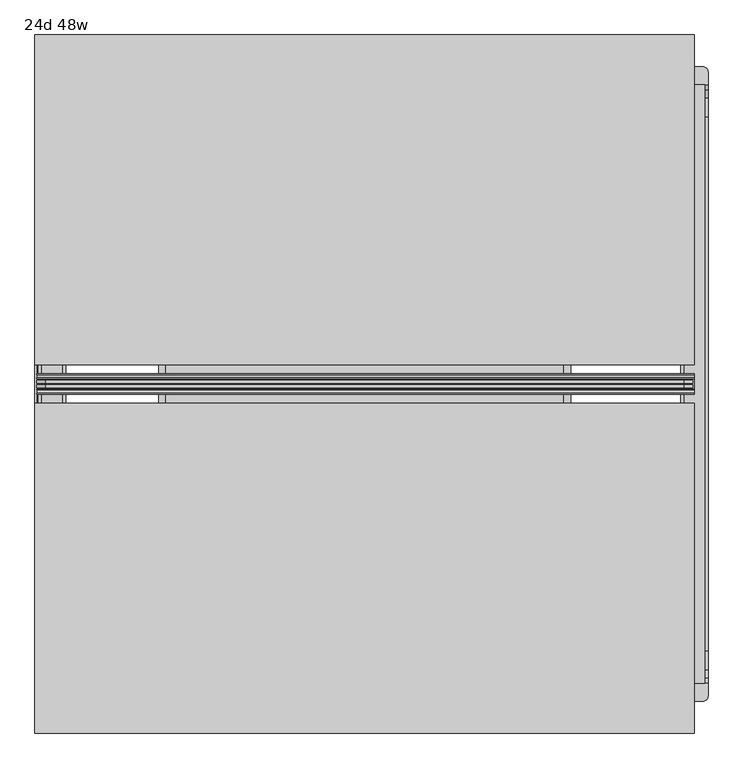
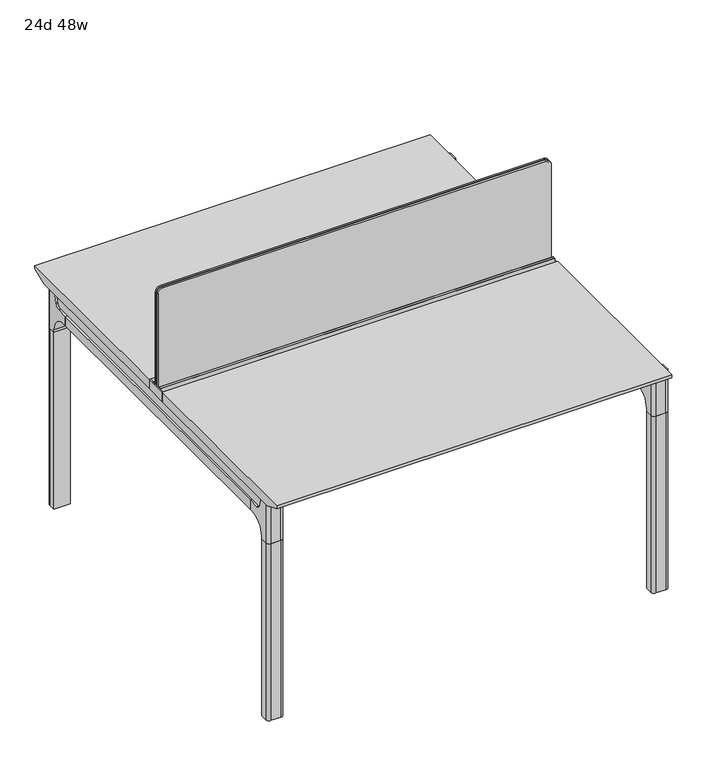
"""IFC4 building model written with IfcOpenShell, lengths in millimetres: furniture geometry, 24d 48w."""

from ifc_helpers import new_model, si_unit, point, frame, frame_2d, origin, place, context, project, spatial, polyline, circle_curve, trimmed, segment, composite_curve, outline, extrude, source, transform, mapped, element, save
from ifc_brep_helpers import plane_surface, cylinder_surface, revolved_surface, advanced_brep


def furniture_24d_48w_a5b764e3(model_context):
    return source(origin(), model_context, "Body", "SolidModel", [
        extrude(outline(composite_curve([segment(polyline([(1054.89375, 803.275), (1054.89375, -371.475)]), True, "CONTINUOUS"), segment(trimmed(circle_curve(frame_2d((1039.01875, -371.475)), 15.875), [point((1054.89375, -371.475))], [point((1039.01875, -387.35))], False, "CARTESIAN"), True, "CONTINUOUS"), segment(polyline([(1039.01875, -387.35), (720.725, -387.35), (720.725, 819.15), (1039.01875, 819.15)]), True, "CONTINUOUS"), segment(trimmed(circle_curve(frame_2d((1039.01875, 803.275)), 15.875), [point((1039.01875, 819.15))], [point((1054.89375, 803.275))], False, "CARTESIAN"), True, "CONTINUOUS")], self_intersect=False)), frame((0.0, -201.3409766, 0.0), z_axis=(0.0, 1.0, 0.0), x_axis=(0.0, 0.0, 1.0)), (0.0, 0.0, 1.0), 3.175),
        extrude(outline(composite_curve([segment(polyline([(1058.06875, 806.45), (1058.06875, -374.65)]), True, "CONTINUOUS"), segment(trimmed(circle_curve(frame_2d((1042.19375, -374.65)), 15.875), [point((1058.06875, -374.65))], [point((1042.19375, -390.525))], False, "CARTESIAN"), True, "CONTINUOUS"), segment(polyline([(1042.19375, -390.525), (717.55, -390.525), (717.55, 822.325), (1042.19375, 822.325)]), True, "CONTINUOUS"), segment(trimmed(circle_curve(frame_2d((1042.19375, 806.45)), 15.875), [point((1042.19375, 822.325))], [point((1058.06875, 806.45))], False, "CARTESIAN"), True, "CONTINUOUS")], self_intersect=False)), frame((0.0, -198.1659766, 0.0), z_axis=(0.0, 1.0, 0.0), x_axis=(0.0, 0.0, 1.0)), (0.0, 0.0, 1.0), 5.55625),
        extrude(outline(composite_curve([segment(polyline([(1058.06875, 806.45), (1058.06875, -374.65)]), True, "CONTINUOUS"), segment(trimmed(circle_curve(frame_2d((1042.19375, -374.65)), 15.875), [point((1058.06875, -374.65))], [point((1042.19375, -390.525))], False, "CARTESIAN"), True, "CONTINUOUS"), segment(polyline([(1042.19375, -390.525), (717.55, -390.525), (717.55, 822.325), (1042.19375, 822.325)]), True, "CONTINUOUS"), segment(trimmed(circle_curve(frame_2d((1042.19375, 806.45)), 15.875), [point((1042.19375, 822.325))], [point((1058.06875, 806.45))], False, "CARTESIAN"), True, "CONTINUOUS")], self_intersect=False)), frame((0.0, -206.8972266, 0.0), z_axis=(0.0, 1.0, 0.0), x_axis=(0.0, 0.0, 1.0)), (0.0, 0.0, 1.0), 5.55625),
        extrude(outline(polyline([(-348.9784469, 559.4636683), (-364.040663, 627.7843353), (-35.4662901, 627.7843353), (-50.5285062, 559.4636683), (-46.7502281, 557.2647146), (-46.7502281, 549.3667827), (-62.6252238, 521.8704736), (-336.8817293, 521.8704736), (-352.756725, 549.3667827), (-352.756725, 557.2647146), (-348.9784469, 559.4636683)])), frame((584.2, 0.0, 0.0), z_axis=(1.0, 0.0, 0.0), x_axis=(0.0, 1.0, 0.0)), (0.0, 0.0, 1.0), 12.7),
        extrude(outline(polyline([(-348.9784469, 559.4636683), (-364.040663, 627.7843353), (-35.4662901, 627.7843353), (-50.5285062, 559.4636683), (-46.7502281, 557.2647146), (-46.7502281, 549.3667827), (-62.6252238, 521.8704736), (-336.8817293, 521.8704736), (-352.756725, 549.3667827), (-352.756725, 557.2647146), (-348.9784469, 559.4636683)])), frame((-165.1, 0.0, 0.0), z_axis=(1.0, 0.0, 0.0), x_axis=(0.0, 1.0, 0.0)), (0.0, 0.0, 1.0), 12.7),
        extrude(outline(polyline([(-18.0090763, 698.5), (3.7767266, 698.5), (3.7767266, 697.2935087), (-17.4495292, 697.2935087), (-19.0070753, 695.7359626), (-49.1186716, 559.1528512), (-50.5285062, 559.4636683), (-20.404074, 696.1050023), (-18.0090763, 698.5)])), frame((-165.1, 0.0, 0.0), z_axis=(1.0, 0.0, 0.0), x_axis=(0.0, 1.0, 0.0)), (0.0, 0.0, 1.0), 31.8008024),
        extrude(outline(polyline([(-381.4978768, 698.5), (-379.1028791, 696.1050023), (-348.9784469, 559.4636683), (-350.3882815, 559.1528512), (-380.4998778, 695.7359626), (-382.0574239, 697.2935087), (-403.2836797, 697.2935087), (-403.2836797, 698.5), (-381.4978768, 698.5)])), frame((-165.1, 0.0, 0.0), z_axis=(1.0, 0.0, 0.0), x_axis=(0.0, 1.0, 0.0)), (0.0, 0.0, 1.0), 31.8008024),
        extrude(outline(polyline([(-18.0090763, 698.5), (3.7767266, 698.5), (3.7767266, 697.2935087), (-17.4495292, 697.2935087), (-19.0070753, 695.7359626), (-49.1186716, 559.1528512), (-50.5285062, 559.4636683), (-20.404074, 696.1050023), (-18.0090763, 698.5)])), frame((565.0991976, 0.0, 0.0), z_axis=(1.0, 0.0, 0.0), x_axis=(0.0, 1.0, 0.0)), (0.0, 0.0, 1.0), 31.8008024),
        extrude(outline(polyline([(-381.4978768, 698.5), (-379.1028791, 696.1050023), (-348.9784469, 559.4636683), (-350.3882815, 559.1528512), (-380.4998778, 695.7359626), (-382.0574239, 697.2935087), (-403.2836797, 697.2935087), (-403.2836797, 698.5), (-381.4978768, 698.5)])), frame((565.0991976, 0.0, 0.0), z_axis=(1.0, 0.0, 0.0), x_axis=(0.0, 1.0, 0.0)), (0.0, 0.0, 1.0), 31.8008024),
        extrude(outline(polyline([(-353.550475, 557.5934966), (-351.518477, 559.6254947), (-350.957211, 559.0642287), (-352.756725, 557.2647146), (-352.756725, 549.3667827), (-352.5317745, 548.5272622), (-337.4390802, 522.3859395), (-336.0037101, 521.5572272), (-63.503243, 521.5572272), (-62.0678729, 522.3859395), (-46.9751786, 548.5272622), (-46.7502281, 549.3667827), (-46.7502281, 557.2647146), (-48.5497421, 559.0642287), (-47.9884761, 559.6254947), (-45.9564781, 557.5934966), (-45.9564781, 549.2622828), (-46.2355217, 548.2208856), (-61.4868074, 521.8048744), (-63.2905581, 520.7634772), (-336.216395, 520.7634772), (-338.0201457, 521.8048744), (-353.2714314, 548.2208856), (-353.550475, 549.2622828), (-353.550475, 557.5934966)])), frame((-165.0492037, 0.0, 0.0), z_axis=(1.0, 0.0, 0.0), x_axis=(0.0, 1.0, 0.0)), (0.0, 0.0, 1.0), 761.9492037),
        extrude(outline(polyline([(-218.8034766, 715.9625), (-218.8034766, 741.3625), (-217.2159766, 741.3625), (-217.2159766, 720.725), (-210.8659766, 720.725), (-210.8659766, 741.3625), (-209.2784766, 741.3625), (-209.2784766, 717.55), (-190.2284766, 717.55), (-190.2284766, 741.3625), (-188.6409766, 741.3625), (-188.6409766, 720.725), (-182.2909766, 720.725), (-182.2909766, 741.3625), (-180.7034766, 741.3625), (-180.7034766, 715.9625), (-218.8034766, 715.9625)])), frame((-390.525, 0.0, 0.0), z_axis=(1.0, 0.0, 0.0), x_axis=(0.0, 1.0, 0.0)), (0.0, 0.0, 1.0), 1216.025),
        extrude(outline(composite_curve([segment(polyline([(353.4902734, 711.2), (344.4321726, 677.3947076)]), True, "CONTINUOUS"), segment(trimmed(circle_curve(frame_2d((329.0981001, 681.5034599)), 15.875), [point((344.4321726, 677.3947076))], [point((329.0981001, 665.6284599))], False, "CARTESIAN"), True, "CONTINUOUS"), segment(polyline([(329.0981001, 665.6284599), (-728.6050533, 665.6284599)]), True, "CONTINUOUS"), segment(trimmed(circle_curve(frame_2d((-728.6050533, 681.5034599)), 15.875), [point((-728.6050533, 665.6284599))], [point((-743.9391258, 677.3947076))], False, "CARTESIAN"), True, "CONTINUOUS"), segment(polyline([(-743.9391258, 677.3947076), (-752.9972266, 711.2), (353.4902734, 711.2)]), True, "CONTINUOUS")], self_intersect=False)), frame((806.45, 0.0, 0.0), z_axis=(1.0, 0.0, 0.0), x_axis=(0.0, 1.0, 0.0)), (0.0, 0.0, 1.0), 38.1),
        extrude(outline(polyline([(850.9, 293.1652734), (850.9, -692.6722266), (800.1, -692.6722266), (800.1, 293.1652734), (850.9, 293.1652734)])), frame((0.0, 0.0, 635.6476591), z_axis=(0.0, 0.0, 1.0), x_axis=(1.0, 0.0, 0.0)), (0.0, 0.0, 1.0), 29.9808008),
        extrude(outline(composite_curve([segment(polyline([(353.4902734, 711.2), (344.4321726, 677.3947076)]), True, "CONTINUOUS"), segment(trimmed(circle_curve(frame_2d((329.0981001, 681.5034599)), 15.875), [point((344.4321726, 677.3947076))], [point((329.0981001, 665.6284599))], False, "CARTESIAN"), True, "CONTINUOUS"), segment(polyline([(329.0981001, 665.6284599), (-728.6050533, 665.6284599)]), True, "CONTINUOUS"), segment(trimmed(circle_curve(frame_2d((-728.6050533, 681.5034599)), 15.875), [point((-728.6050533, 665.6284599))], [point((-743.9391258, 677.3947076))], False, "CARTESIAN"), True, "CONTINUOUS"), segment(polyline([(-743.9391258, 677.3947076), (-752.9972266, 711.2), (353.4902734, 711.2)]), True, "CONTINUOUS")], self_intersect=False)), frame((-381.0, 0.0, 0.0), z_axis=(1.0, 0.0, 0.0), x_axis=(0.0, 1.0, 0.0)), (0.0, 0.0, 1.0), 38.1),
        extrude(outline(polyline([(-336.55, 293.1652734), (-336.55, -692.6722266), (-387.35, -692.6722266), (-387.35, 293.1652734), (-336.55, 293.1652734)])), frame((0.0, 0.0, 635.6476591), z_axis=(0.0, 0.0, 1.0), x_axis=(1.0, 0.0, 0.0)), (0.0, 0.0, 1.0), 29.9808008),
        advanced_brep(
        [(850.9, 353.5366022, 711.2), (850.9, 344.4785014, 677.3947076), (850.9, 329.1444289, 665.6284599), (850.9, 293.1652734, 665.6284599), (850.9, 293.1652734, 635.6476591), (850.9, 304.2777734, 635.6476591), (850.9, 355.0777734, 584.8476591), (850.9, 355.0777734, 576.659375), (850.9, 377.3027734, 576.659375), (850.9, 377.3027734, 711.2), (800.1, 355.0777734, 576.659375), (800.1, 355.0777734, 584.8476591), (800.1, 304.2777734, 635.6476591), (800.1, 293.1652734, 635.6476591), (800.1, 293.1652734, 665.6284599), (800.1, 329.1444289, 665.6284599), (800.1, 344.4785014, 677.3947076), (800.1, 353.5366022, 711.2), (800.1, 377.3027734, 711.2), (800.1, 377.3027734, 576.659375), (841.375, 386.8277734, 711.2), (809.625, 386.8277734, 711.2), (809.625, 386.8277734, 576.659375), (841.375, 386.8277734, 576.659375)],
        [
            (0, 1),
            (1, 2, circle_curve(frame((850.9, 329.1444289, 681.5034599), z_axis=(-1.0, 0.0, 0.0), x_axis=(0.0, 1.0, 0.0)), 15.875)),
            (2, 3),
            (3, 4),
            (4, 5),
            (5, 6, circle_curve(frame((850.9, 304.2777734, 584.8476591), z_axis=(-1.0, 0.0, 0.0), x_axis=(0.0, 1.0, 0.0)), 50.8)),
            (6, 7),
            (7, 8),
            (8, 9),
            (9, 0),
            (10, 11),
            (11, 12, circle_curve(frame((800.1, 304.2777734, 584.8476591), z_axis=(1.0, 0.0, 0.0), x_axis=(0.0, 1.0, 0.0)), 50.8)),
            (12, 13),
            (13, 14),
            (14, 15),
            (15, 16, circle_curve(frame((800.1, 329.1444289, 681.5034599), z_axis=(1.0, 0.0, 0.0), x_axis=(0.0, 1.0, 0.0)), 15.875)),
            (16, 17),
            (17, 18),
            (18, 19),
            (19, 10),
            (17, 0),
            (9, 20, circle_curve(frame((841.375, 377.3027734, 711.2), z_axis=(0.0, 0.0, 1.0), x_axis=(-1.0, 0.0, 0.0)), 9.525)),
            (20, 21),
            (21, 18, circle_curve(frame((809.625, 377.3027734, 711.2), z_axis=(0.0, 0.0, 1.0), x_axis=(-1.0, 0.0, 0.0)), 9.525)),
            (16, 1),
            (15, 2),
            (14, 3),
            (13, 4),
            (12, 5),
            (7, 10),
            (19, 22, circle_curve(frame((809.625, 377.3027734, 576.659375), z_axis=(0.0, 0.0, -1.0), x_axis=(-1.0, 0.0, 0.0)), 9.525)),
            (22, 23),
            (23, 8, circle_curve(frame((841.375, 377.3027734, 576.659375), z_axis=(0.0, 0.0, -1.0), x_axis=(-1.0, 0.0, 0.0)), 9.525)),
            (11, 6),
            (23, 20),
            (21, 22),
        ],
        [
            plane_surface(frame((850.9, 393.754303, 711.2), z_axis=(1.0, 0.0, 0.0), x_axis=(0.0, -1.0, 0.0))),
            plane_surface(frame((800.1, 393.754303, 711.2), z_axis=(-1.0, 0.0, 0.0), x_axis=(0.0, 1.0, 0.0))),
            plane_surface(frame((850.9, 393.754303, 711.2), z_axis=(0.0, 0.0, 1.0), x_axis=(-1.0, 0.0, 0.0))),
            plane_surface(frame((850.9, 353.5366022, 711.2), z_axis=(0.0, -0.9659258262890683, 0.2588190451025207), x_axis=(-1.0, 0.0, 0.0))),
            revolved_surface(polyline([(800.1, 345.0194289, 681.5034599), (850.9, 345.0194289, 681.5034599)]), (800.1, 329.1444289, 681.5034599), (-1.0, 0.0, 0.0)),
            plane_surface(frame((850.9, 329.1444289, 665.6284599), z_axis=(0.0, 0.0, 1.0), x_axis=(-1.0, 0.0, 0.0))),
            plane_surface(frame((850.9, 293.1652734, 665.6284599), z_axis=(0.0, -1.0, 0.0), x_axis=(-1.0, 0.0, 0.0))),
            plane_surface(frame((850.9, 293.1652734, 635.6476591), z_axis=(0.0, 0.0, -1.0), x_axis=(-1.0, 0.0, 0.0))),
            plane_surface(frame((850.9, 355.0777734, 576.659375), z_axis=(0.0, 0.0, -1.0), x_axis=(-1.0, 0.0, 0.0))),
            revolved_surface(polyline([(800.1, 355.0777734, 584.8476591), (850.9, 355.0777734, 584.8476591)]), (800.1, 304.2777734, 584.8476591), (-1.0, 0.0, 0.0)),
            plane_surface(frame((850.9, 355.0777734, 584.8476591), z_axis=(0.0, -1.0, 0.0), x_axis=(-1.0, 0.0, 0.0))),
            cylinder_surface(frame((841.375, 377.3027734, 524.9807374), z_axis=(0.0, 0.0, -1.0), x_axis=(-1.0, 0.0, 0.0)), 9.525),
            cylinder_surface(frame((809.625, 377.3027734, 524.9807374), z_axis=(0.0, 0.0, -1.0), x_axis=(-1.0, 0.0, 0.0)), 9.525),
            plane_surface(frame((809.625, 386.8277734, 711.2), z_axis=(0.0, 1.0, 0.0), x_axis=(0.0, 0.0, -1.0))),
        ],
        [
            (0, [[1, 2, 3, 4, 5, 6, 7, 8, 9, 10]]),
            (1, [[11, 12, 13, 14, 15, 16, 17, 18, 19, 20]]),
            (2, [[21, -10, 22, 23, 24, -18]]),
            (3, [[-1, -21, -17, 25]]),
            (4, [[-2, -25, -16, 26]]),
            (5, [[-3, -26, -15, 27]]),
            (6, [[-4, -27, -14, 28]]),
            (7, [[-5, -28, -13, 29]]),
            (8, [[30, -20, 31, 32, 33, -8]]),
            (9, [[-6, -29, -12, 34]]),
            (10, [[-7, -34, -11, -30]]),
            (11, [[35, -22, -9, -33]]),
            (12, [[36, -31, -19, -24]]),
            (13, [[-35, -32, -36, -23]]),
        ],
    ),
        advanced_brep(
        [(800.1, 355.0777734, 576.659375), (850.9, 355.0777734, 576.659375), (850.9, 377.3027734, 576.659375), (841.375, 386.8277734, 576.659375), (809.625, 386.8277734, 576.659375), (800.1, 377.3027734, 576.659375), (800.1, 355.0777734, 0.0), (800.1, 377.3027734, 0.0), (809.625, 386.8277734, 0.0), (841.375, 386.8277734, 0.0), (850.9, 377.3027734, 0.0), (850.9, 355.0777734, 0.0), (850.9, 377.3027734, 524.9807374), (841.375, 386.8277734, 524.9807374), (809.625, 386.8277734, 524.9807374), (800.1, 377.3027734, 524.9807374)],
        [
            (0, 1),
            (1, 2),
            (2, 3, circle_curve(frame((841.375, 377.3027734, 576.659375), z_axis=(0.0, 0.0, 1.0), x_axis=(-1.0, 0.0, 0.0)), 9.525)),
            (3, 4),
            (4, 5, circle_curve(frame((809.625, 377.3027734, 576.659375), z_axis=(0.0, 0.0, 1.0), x_axis=(-1.0, 0.0, 0.0)), 9.525)),
            (5, 0),
            (6, 7),
            (7, 8, circle_curve(frame((809.625, 377.3027734, 0.0), z_axis=(0.0, 0.0, -1.0), x_axis=(-1.0, 0.0, 0.0)), 9.525)),
            (8, 9),
            (9, 10, circle_curve(frame((841.375, 377.3027734, 0.0), z_axis=(0.0, 0.0, -1.0), x_axis=(-1.0, 0.0, 0.0)), 9.525)),
            (10, 11),
            (11, 6),
            (0, 6),
            (11, 1),
            (10, 12),
            (12, 2),
            (9, 13),
            (13, 3),
            (8, 14),
            (14, 4),
            (7, 15),
            (15, 5),
        ],
        [
            plane_surface(frame((858.0962903, 355.0777734, 576.659375), z_axis=(0.0, 0.0, 1.0), x_axis=(1.0, 0.0, 0.0))),
            plane_surface(frame((858.0962903, 355.0777734, 0.0), z_axis=(0.0, 0.0, -1.0), x_axis=(-1.0, 0.0, 0.0))),
            plane_surface(frame((800.1, 355.0777734, 576.659375), z_axis=(0.0, -1.0, 0.0), x_axis=(0.0, 0.0, -1.0))),
            plane_surface(frame((850.9, 355.0777734, 576.659375), z_axis=(1.0, 0.0, 0.0), x_axis=(0.0, 0.0, -1.0))),
            cylinder_surface(frame((841.375, 377.3027734, 0.0), z_axis=(0.0, 0.0, 1.0), x_axis=(-1.0, 0.0, 0.0)), 9.525),
            plane_surface(frame((841.375, 386.8277734, 576.659375), z_axis=(0.0, 1.0, 0.0), x_axis=(0.0, 0.0, -1.0))),
            cylinder_surface(frame((809.625, 377.3027734, 0.0), z_axis=(0.0, 0.0, 1.0), x_axis=(-1.0, 0.0, 0.0)), 9.525),
            plane_surface(frame((800.1, 377.3027734, 576.659375), z_axis=(-1.0, 0.0, 0.0), x_axis=(0.0, 0.0, -1.0))),
        ],
        [
            (0, [[1, 2, 3, 4, 5, 6]]),
            (1, [[7, 8, 9, 10, 11, 12]]),
            (2, [[-1, 13, -12, 14]]),
            (3, [[-2, -14, -11, 15, 16]]),
            (4, [[-3, -16, -15, -10, 17, 18]]),
            (5, [[-4, -18, -17, -9, 19, 20]]),
            (6, [[-5, -20, -19, -8, 21, 22]]),
            (7, [[-6, -22, -21, -7, -13]]),
        ],
    ),
        advanced_brep(
        [(800.1, -753.0435553, 711.2), (800.1, -743.9854545, 677.3947076), (800.1, -728.651382, 665.6284599), (800.1, -692.6722266, 665.6284599), (800.1, -692.6722266, 635.6476591), (800.1, -703.7847266, 635.6476591), (800.1, -754.5847266, 584.8476591), (800.1, -754.5847266, 576.659375), (800.1, -776.8097266, 576.659375), (800.1, -776.8097266, 711.2), (850.9, -754.5847266, 576.659375), (850.9, -754.5847266, 584.8476591), (850.9, -703.7847266, 635.6476591), (850.9, -692.6722266, 635.6476591), (850.9, -692.6722266, 665.6284599), (850.9, -728.651382, 665.6284599), (850.9, -743.9854545, 677.3947076), (850.9, -753.0435553, 711.2), (850.9, -776.8097266, 711.2), (850.9, -776.8097266, 576.659375), (809.625, -786.3347266, 711.2), (841.375, -786.3347266, 711.2), (841.375, -786.3347266, 576.659375), (809.625, -786.3347266, 576.659375)],
        [
            (0, 1),
            (1, 2, circle_curve(frame((800.1, -728.651382, 681.5034599), z_axis=(1.0, 0.0, 0.0), x_axis=(0.0, -1.0, 0.0)), 15.875)),
            (2, 3),
            (3, 4),
            (4, 5),
            (5, 6, circle_curve(frame((800.1, -703.7847266, 584.8476591), z_axis=(1.0, 0.0, 0.0), x_axis=(0.0, -1.0, 0.0)), 50.8)),
            (6, 7),
            (7, 8),
            (8, 9),
            (9, 0),
            (10, 11),
            (11, 12, circle_curve(frame((850.9, -703.7847266, 584.8476591), z_axis=(-1.0, 0.0, 0.0), x_axis=(0.0, -1.0, 0.0)), 50.8)),
            (12, 13),
            (13, 14),
            (14, 15),
            (15, 16, circle_curve(frame((850.9, -728.651382, 681.5034599), z_axis=(-1.0, 0.0, 0.0), x_axis=(0.0, -1.0, 0.0)), 15.875)),
            (16, 17),
            (17, 18),
            (18, 19),
            (19, 10),
            (17, 0),
            (9, 20, circle_curve(frame((809.625, -776.8097266, 711.2), z_axis=(0.0, 0.0, 1.0), x_axis=(1.0, 0.0, 0.0)), 9.525)),
            (20, 21),
            (21, 18, circle_curve(frame((841.375, -776.8097266, 711.2), z_axis=(0.0, 0.0, 1.0), x_axis=(1.0, 0.0, 0.0)), 9.525)),
            (16, 1),
            (15, 2),
            (14, 3),
            (13, 4),
            (12, 5),
            (7, 10),
            (19, 22, circle_curve(frame((841.375, -776.8097266, 576.659375), z_axis=(0.0, 0.0, -1.0), x_axis=(1.0, 0.0, 0.0)), 9.525)),
            (22, 23),
            (23, 8, circle_curve(frame((809.625, -776.8097266, 576.659375), z_axis=(0.0, 0.0, -1.0), x_axis=(1.0, 0.0, 0.0)), 9.525)),
            (11, 6),
            (23, 20),
            (21, 22),
        ],
        [
            plane_surface(frame((800.1, -793.2612561, 711.2), z_axis=(-1.0, 0.0, 0.0), x_axis=(0.0, 1.0, 0.0))),
            plane_surface(frame((850.9, -793.2612561, 711.2), z_axis=(1.0, 0.0, 0.0), x_axis=(0.0, -1.0, 0.0))),
            plane_surface(frame((800.1, -793.2612561, 711.2), z_axis=(0.0, 0.0, 1.0), x_axis=(1.0, 0.0, 0.0))),
            plane_surface(frame((800.1, -753.0435553, 711.2), z_axis=(0.0, 0.9659258262890683, 0.2588190451025207), x_axis=(1.0, 0.0, 0.0))),
            revolved_surface(polyline([(850.9, -744.526382, 681.5034599), (800.1, -744.526382, 681.5034599)]), (850.9, -728.651382, 681.5034599), (1.0, 0.0, 0.0)),
            plane_surface(frame((800.1, -728.651382, 665.6284599), z_axis=(0.0, 0.0, 1.0), x_axis=(1.0, 0.0, 0.0))),
            plane_surface(frame((800.1, -692.6722266, 665.6284599), z_axis=(0.0, 1.0, 0.0), x_axis=(1.0, 0.0, 0.0))),
            plane_surface(frame((800.1, -692.6722266, 635.6476591), z_axis=(0.0, 0.0, -1.0), x_axis=(1.0, 0.0, 0.0))),
            plane_surface(frame((800.1, -754.5847266, 576.659375), z_axis=(0.0, 0.0, -1.0), x_axis=(1.0, 0.0, 0.0))),
            revolved_surface(polyline([(850.9, -754.5847266, 584.8476591), (800.1, -754.5847266, 584.8476591)]), (850.9, -703.7847266, 584.8476591), (1.0, 0.0, 0.0)),
            plane_surface(frame((800.1, -754.5847266, 584.8476591), z_axis=(0.0, 1.0, 0.0), x_axis=(1.0, 0.0, 0.0))),
            cylinder_surface(frame((809.625, -776.8097266, 524.9807374), z_axis=(0.0, 0.0, -1.0), x_axis=(1.0, 0.0, 0.0)), 9.525),
            cylinder_surface(frame((841.375, -776.8097266, 524.9807374), z_axis=(0.0, 0.0, -1.0), x_axis=(1.0, 0.0, 0.0)), 9.525),
            plane_surface(frame((841.375, -786.3347266, 711.2), z_axis=(0.0, -1.0, 0.0), x_axis=(0.0, 0.0, -1.0))),
        ],
        [
            (0, [[1, 2, 3, 4, 5, 6, 7, 8, 9, 10]]),
            (1, [[11, 12, 13, 14, 15, 16, 17, 18, 19, 20]]),
            (2, [[21, -10, 22, 23, 24, -18]]),
            (3, [[-1, -21, -17, 25]]),
            (4, [[-2, -25, -16, 26]]),
            (5, [[-3, -26, -15, 27]]),
            (6, [[-4, -27, -14, 28]]),
            (7, [[-5, -28, -13, 29]]),
            (8, [[30, -20, 31, 32, 33, -8]]),
            (9, [[-6, -29, -12, 34]]),
            (10, [[-7, -34, -11, -30]]),
            (11, [[35, -22, -9, -33]]),
            (12, [[36, -31, -19, -24]]),
            (13, [[-35, -32, -36, -23]]),
        ],
    ),
        advanced_brep(
        [(850.9, -754.5847266, 576.659375), (800.1, -754.5847266, 576.659375), (800.1, -776.8097266, 576.659375), (809.625, -786.3347266, 576.659375), (841.375, -786.3347266, 576.659375), (850.9, -776.8097266, 576.659375), (850.9, -754.5847266, 0.0), (850.9, -776.8097266, 0.0), (841.375, -786.3347266, 0.0), (809.625, -786.3347266, 0.0), (800.1, -776.8097266, 0.0), (800.1, -754.5847266, 0.0), (800.1, -776.8097266, 524.9807374), (809.625, -786.3347266, 524.9807374), (841.375, -786.3347266, 524.9807374), (850.9, -776.8097266, 524.9807374)],
        [
            (0, 1),
            (1, 2),
            (2, 3, circle_curve(frame((809.625, -776.8097266, 576.659375), z_axis=(0.0, 0.0, 1.0), x_axis=(1.0, 0.0, 0.0)), 9.525)),
            (3, 4),
            (4, 5, circle_curve(frame((841.375, -776.8097266, 576.659375), z_axis=(0.0, 0.0, 1.0), x_axis=(1.0, 0.0, 0.0)), 9.525)),
            (5, 0),
            (6, 7),
            (7, 8, circle_curve(frame((841.375, -776.8097266, 0.0), z_axis=(0.0, 0.0, -1.0), x_axis=(1.0, 0.0, 0.0)), 9.525)),
            (8, 9),
            (9, 10, circle_curve(frame((809.625, -776.8097266, 0.0), z_axis=(0.0, 0.0, -1.0), x_axis=(1.0, 0.0, 0.0)), 9.525)),
            (10, 11),
            (11, 6),
            (0, 6),
            (11, 1),
            (10, 12),
            (12, 2),
            (9, 13),
            (13, 3),
            (8, 14),
            (14, 4),
            (7, 15),
            (15, 5),
        ],
        [
            plane_surface(frame((792.9037097, -754.5847266, 576.659375), z_axis=(0.0, 0.0, 1.0), x_axis=(-1.0, 0.0, 0.0))),
            plane_surface(frame((792.9037097, -754.5847266, 0.0), z_axis=(0.0, 0.0, -1.0), x_axis=(1.0, 0.0, 0.0))),
            plane_surface(frame((850.9, -754.5847266, 576.659375), z_axis=(0.0, 1.0, 0.0), x_axis=(0.0, 0.0, -1.0))),
            plane_surface(frame((800.1, -754.5847266, 576.659375), z_axis=(-1.0, 0.0, 0.0), x_axis=(0.0, 0.0, -1.0))),
            cylinder_surface(frame((809.625, -776.8097266, 0.0), z_axis=(0.0, 0.0, 1.0), x_axis=(1.0, 0.0, 0.0)), 9.525),
            plane_surface(frame((809.625, -786.3347266, 576.659375), z_axis=(0.0, -1.0, 0.0), x_axis=(0.0, 0.0, -1.0))),
            cylinder_surface(frame((841.375, -776.8097266, 0.0), z_axis=(0.0, 0.0, 1.0), x_axis=(1.0, 0.0, 0.0)), 9.525),
            plane_surface(frame((850.9, -776.8097266, 576.659375), z_axis=(1.0, 0.0, 0.0), x_axis=(0.0, 0.0, -1.0))),
        ],
        [
            (0, [[1, 2, 3, 4, 5, 6]]),
            (1, [[7, 8, 9, 10, 11, 12]]),
            (2, [[-1, 13, -12, 14]]),
            (3, [[-2, -14, -11, 15, 16]]),
            (4, [[-3, -16, -15, -10, 17, 18]]),
            (5, [[-4, -18, -17, -9, 19, 20]]),
            (6, [[-5, -20, -19, -8, 21, 22]]),
            (7, [[-6, -22, -21, -7, -13]]),
        ],
    ),
        advanced_brep(
        [(-336.55, 353.5366022, 711.2), (-336.55, 344.4785014, 677.3947076), (-336.55, 329.1444289, 665.6284599), (-336.55, 293.1652734, 665.6284599), (-336.55, 293.1652734, 635.6476591), (-336.55, 304.2777734, 635.6476591), (-336.55, 355.0777734, 584.8476591), (-336.55, 355.0777734, 576.659375), (-336.55, 377.3027734, 576.659375), (-336.55, 377.3027734, 711.2), (-387.35, 355.0777734, 576.659375), (-387.35, 355.0777734, 584.8476591), (-387.35, 304.2777734, 635.6476591), (-387.35, 293.1652734, 635.6476591), (-387.35, 293.1652734, 665.6284599), (-387.35, 329.1444289, 665.6284599), (-387.35, 344.4785014, 677.3947076), (-387.35, 353.5366022, 711.2), (-387.35, 377.3027734, 711.2), (-387.35, 377.3027734, 576.659375), (-346.075, 386.8277734, 711.2), (-377.825, 386.8277734, 711.2), (-377.825, 386.8277734, 576.659375), (-346.075, 386.8277734, 576.659375)],
        [
            (0, 1),
            (1, 2, circle_curve(frame((-336.55, 329.1444289, 681.5034599), z_axis=(-1.0, 0.0, 0.0), x_axis=(0.0, 1.0, 0.0)), 15.875)),
            (2, 3),
            (3, 4),
            (4, 5),
            (5, 6, circle_curve(frame((-336.55, 304.2777734, 584.8476591), z_axis=(-1.0, 0.0, 0.0), x_axis=(0.0, 1.0, 0.0)), 50.8)),
            (6, 7),
            (7, 8),
            (8, 9),
            (9, 0),
            (10, 11),
            (11, 12, circle_curve(frame((-387.35, 304.2777734, 584.8476591), z_axis=(1.0, 0.0, 0.0), x_axis=(0.0, 1.0, 0.0)), 50.8)),
            (12, 13),
            (13, 14),
            (14, 15),
            (15, 16, circle_curve(frame((-387.35, 329.1444289, 681.5034599), z_axis=(1.0, 0.0, 0.0), x_axis=(0.0, 1.0, 0.0)), 15.875)),
            (16, 17),
            (17, 18),
            (18, 19),
            (19, 10),
            (17, 0),
            (9, 20, circle_curve(frame((-346.075, 377.3027734, 711.2), z_axis=(0.0, 0.0, 1.0), x_axis=(-1.0, 0.0, 0.0)), 9.525)),
            (20, 21),
            (21, 18, circle_curve(frame((-377.825, 377.3027734, 711.2), z_axis=(0.0, 0.0, 1.0), x_axis=(-1.0, 0.0, 0.0)), 9.525)),
            (16, 1),
            (15, 2),
            (14, 3),
            (13, 4),
            (12, 5),
            (7, 10),
            (19, 22, circle_curve(frame((-377.825, 377.3027734, 576.659375), z_axis=(0.0, 0.0, -1.0), x_axis=(-1.0, 0.0, 0.0)), 9.525)),
            (22, 23),
            (23, 8, circle_curve(frame((-346.075, 377.3027734, 576.659375), z_axis=(0.0, 0.0, -1.0), x_axis=(-1.0, 0.0, 0.0)), 9.525)),
            (11, 6),
            (23, 20),
            (21, 22),
        ],
        [
            plane_surface(frame((-336.55, 393.754303, 711.2), z_axis=(1.0, 0.0, 0.0), x_axis=(0.0, -1.0, 0.0))),
            plane_surface(frame((-387.35, 393.754303, 711.2), z_axis=(-1.0, 0.0, 0.0), x_axis=(0.0, 1.0, 0.0))),
            plane_surface(frame((-336.55, 393.754303, 711.2), z_axis=(0.0, 0.0, 1.0), x_axis=(-1.0, 0.0, 0.0))),
            plane_surface(frame((-336.55, 353.5366022, 711.2), z_axis=(0.0, -0.9659258262890683, 0.2588190451025207), x_axis=(-1.0, 0.0, 0.0))),
            revolved_surface(polyline([(-387.35, 345.0194289, 681.5034599), (-336.55, 345.0194289, 681.5034599)]), (-387.35, 329.1444289, 681.5034599), (-1.0, 0.0, 0.0)),
            plane_surface(frame((-336.55, 329.1444289, 665.6284599), z_axis=(0.0, 0.0, 1.0), x_axis=(-1.0, 0.0, 0.0))),
            plane_surface(frame((-336.55, 293.1652734, 665.6284599), z_axis=(0.0, -1.0, 0.0), x_axis=(-1.0, 0.0, 0.0))),
            plane_surface(frame((-336.55, 293.1652734, 635.6476591), z_axis=(0.0, 0.0, -1.0), x_axis=(-1.0, 0.0, 0.0))),
            plane_surface(frame((-336.55, 355.0777734, 576.659375), z_axis=(0.0, 0.0, -1.0), x_axis=(-1.0, 0.0, 0.0))),
            revolved_surface(polyline([(-387.35, 355.0777734, 584.8476591), (-336.55, 355.0777734, 584.8476591)]), (-387.35, 304.2777734, 584.8476591), (-1.0, 0.0, 0.0)),
            plane_surface(frame((-336.55, 355.0777734, 584.8476591), z_axis=(0.0, -1.0, 0.0), x_axis=(-1.0, 0.0, 0.0))),
            cylinder_surface(frame((-346.075, 377.3027734, 524.9807374), z_axis=(0.0, 0.0, -1.0), x_axis=(-1.0, 0.0, 0.0)), 9.525),
            cylinder_surface(frame((-377.825, 377.3027734, 524.9807374), z_axis=(0.0, 0.0, -1.0), x_axis=(-1.0, 0.0, 0.0)), 9.525),
            plane_surface(frame((-377.825, 386.8277734, 711.2), z_axis=(0.0, 1.0, 0.0), x_axis=(0.0, 0.0, -1.0))),
        ],
        [
            (0, [[1, 2, 3, 4, 5, 6, 7, 8, 9, 10]]),
            (1, [[11, 12, 13, 14, 15, 16, 17, 18, 19, 20]]),
            (2, [[21, -10, 22, 23, 24, -18]]),
            (3, [[-1, -21, -17, 25]]),
            (4, [[-2, -25, -16, 26]]),
            (5, [[-3, -26, -15, 27]]),
            (6, [[-4, -27, -14, 28]]),
            (7, [[-5, -28, -13, 29]]),
            (8, [[30, -20, 31, 32, 33, -8]]),
            (9, [[-6, -29, -12, 34]]),
            (10, [[-7, -34, -11, -30]]),
            (11, [[35, -22, -9, -33]]),
            (12, [[36, -31, -19, -24]]),
            (13, [[-35, -32, -36, -23]]),
        ],
    ),
        advanced_brep(
        [(-387.35, 355.0777734, 576.659375), (-336.55, 355.0777734, 576.659375), (-336.55, 377.3027734, 576.659375), (-346.075, 386.8277734, 576.659375), (-377.825, 386.8277734, 576.659375), (-387.35, 377.3027734, 576.659375), (-387.35, 355.0777734, 0.0), (-387.35, 377.3027734, 0.0), (-377.825, 386.8277734, 0.0), (-346.075, 386.8277734, 0.0), (-336.55, 377.3027734, 0.0), (-336.55, 355.0777734, 0.0), (-336.55, 377.3027734, 524.9807374), (-346.075, 386.8277734, 524.9807374), (-377.825, 386.8277734, 524.9807374), (-387.35, 377.3027734, 524.9807374)],
        [
            (0, 1),
            (1, 2),
            (2, 3, circle_curve(frame((-346.075, 377.3027734, 576.659375), z_axis=(0.0, 0.0, 1.0), x_axis=(-1.0, 0.0, 0.0)), 9.525)),
            (3, 4),
            (4, 5, circle_curve(frame((-377.825, 377.3027734, 576.659375), z_axis=(0.0, 0.0, 1.0), x_axis=(-1.0, 0.0, 0.0)), 9.525)),
            (5, 0),
            (6, 7),
            (7, 8, circle_curve(frame((-377.825, 377.3027734, 0.0), z_axis=(0.0, 0.0, -1.0), x_axis=(-1.0, 0.0, 0.0)), 9.525)),
            (8, 9),
            (9, 10, circle_curve(frame((-346.075, 377.3027734, 0.0), z_axis=(0.0, 0.0, -1.0), x_axis=(-1.0, 0.0, 0.0)), 9.525)),
            (10, 11),
            (11, 6),
            (0, 6),
            (11, 1),
            (10, 12),
            (12, 2),
            (9, 13),
            (13, 3),
            (8, 14),
            (14, 4),
            (7, 15),
            (15, 5),
        ],
        [
            plane_surface(frame((-329.3537097, 355.0777734, 576.659375), z_axis=(0.0, 0.0, 1.0), x_axis=(1.0, 0.0, 0.0))),
            plane_surface(frame((-329.3537097, 355.0777734, 0.0), z_axis=(0.0, 0.0, -1.0), x_axis=(-1.0, 0.0, 0.0))),
            plane_surface(frame((-387.35, 355.0777734, 576.659375), z_axis=(0.0, -1.0, 0.0), x_axis=(0.0, 0.0, -1.0))),
            plane_surface(frame((-336.55, 355.0777734, 576.659375), z_axis=(1.0, 0.0, 0.0), x_axis=(0.0, 0.0, -1.0))),
            cylinder_surface(frame((-346.075, 377.3027734, 0.0), z_axis=(0.0, 0.0, 1.0), x_axis=(-1.0, 0.0, 0.0)), 9.525),
            plane_surface(frame((-346.075, 386.8277734, 576.659375), z_axis=(0.0, 1.0, 0.0), x_axis=(0.0, 0.0, -1.0))),
            cylinder_surface(frame((-377.825, 377.3027734, 0.0), z_axis=(0.0, 0.0, 1.0), x_axis=(-1.0, 0.0, 0.0)), 9.525),
            plane_surface(frame((-387.35, 377.3027734, 576.659375), z_axis=(-1.0, 0.0, 0.0), x_axis=(0.0, 0.0, -1.0))),
        ],
        [
            (0, [[1, 2, 3, 4, 5, 6]]),
            (1, [[7, 8, 9, 10, 11, 12]]),
            (2, [[-1, 13, -12, 14]]),
            (3, [[-2, -14, -11, 15, 16]]),
            (4, [[-3, -16, -15, -10, 17, 18]]),
            (5, [[-4, -18, -17, -9, 19, 20]]),
            (6, [[-5, -20, -19, -8, 21, 22]]),
            (7, [[-6, -22, -21, -7, -13]]),
        ],
    ),
        advanced_brep(
        [(-387.35, -753.0435553, 711.2), (-387.35, -743.9854545, 677.3947076), (-387.35, -728.651382, 665.6284599), (-387.35, -692.6722266, 665.6284599), (-387.35, -692.6722266, 635.6476591), (-387.35, -703.7847266, 635.6476591), (-387.35, -754.5847266, 584.8476591), (-387.35, -754.5847266, 576.659375), (-387.35, -776.8097266, 576.659375), (-387.35, -776.8097266, 711.2), (-336.55, -754.5847266, 576.659375), (-336.55, -754.5847266, 584.8476591), (-336.55, -703.7847266, 635.6476591), (-336.55, -692.6722266, 635.6476591), (-336.55, -692.6722266, 665.6284599), (-336.55, -728.651382, 665.6284599), (-336.55, -743.9854545, 677.3947076), (-336.55, -753.0435553, 711.2), (-336.55, -776.8097266, 711.2), (-336.55, -776.8097266, 576.659375), (-377.825, -786.3347266, 711.2), (-346.075, -786.3347266, 711.2), (-346.075, -786.3347266, 576.659375), (-377.825, -786.3347266, 576.659375)],
        [
            (0, 1),
            (1, 2, circle_curve(frame((-387.35, -728.651382, 681.5034599), z_axis=(1.0, 0.0, 0.0), x_axis=(0.0, -1.0, 0.0)), 15.875)),
            (2, 3),
            (3, 4),
            (4, 5),
            (5, 6, circle_curve(frame((-387.35, -703.7847266, 584.8476591), z_axis=(1.0, 0.0, 0.0), x_axis=(0.0, -1.0, 0.0)), 50.8)),
            (6, 7),
            (7, 8),
            (8, 9),
            (9, 0),
            (10, 11),
            (11, 12, circle_curve(frame((-336.55, -703.7847266, 584.8476591), z_axis=(-1.0, 0.0, 0.0), x_axis=(0.0, -1.0, 0.0)), 50.8)),
            (12, 13),
            (13, 14),
            (14, 15),
            (15, 16, circle_curve(frame((-336.55, -728.651382, 681.5034599), z_axis=(-1.0, 0.0, 0.0), x_axis=(0.0, -1.0, 0.0)), 15.875)),
            (16, 17),
            (17, 18),
            (18, 19),
            (19, 10),
            (17, 0),
            (9, 20, circle_curve(frame((-377.825, -776.8097266, 711.2), z_axis=(0.0, 0.0, 1.0), x_axis=(1.0, 0.0, 0.0)), 9.525)),
            (20, 21),
            (21, 18, circle_curve(frame((-346.075, -776.8097266, 711.2), z_axis=(0.0, 0.0, 1.0), x_axis=(1.0, 0.0, 0.0)), 9.525)),
            (16, 1),
            (15, 2),
            (14, 3),
            (13, 4),
            (12, 5),
            (7, 10),
            (19, 22, circle_curve(frame((-346.075, -776.8097266, 576.659375), z_axis=(0.0, 0.0, -1.0), x_axis=(1.0, 0.0, 0.0)), 9.525)),
            (22, 23),
            (23, 8, circle_curve(frame((-377.825, -776.8097266, 576.659375), z_axis=(0.0, 0.0, -1.0), x_axis=(1.0, 0.0, 0.0)), 9.525)),
            (11, 6),
            (23, 20),
            (21, 22),
        ],
        [
            plane_surface(frame((-387.35, -793.2612561, 711.2), z_axis=(-1.0, 0.0, 0.0), x_axis=(0.0, 1.0, 0.0))),
            plane_surface(frame((-336.55, -793.2612561, 711.2), z_axis=(1.0, 0.0, 0.0), x_axis=(0.0, -1.0, 0.0))),
            plane_surface(frame((-387.35, -793.2612561, 711.2), z_axis=(0.0, 0.0, 1.0), x_axis=(1.0, 0.0, 0.0))),
            plane_surface(frame((-387.35, -753.0435553, 711.2), z_axis=(0.0, 0.9659258262890683, 0.2588190451025207), x_axis=(1.0, 0.0, 0.0))),
            revolved_surface(polyline([(-336.55, -744.526382, 681.5034599), (-387.35, -744.526382, 681.5034599)]), (-336.55, -728.651382, 681.5034599), (1.0, 0.0, 0.0)),
            plane_surface(frame((-387.35, -728.651382, 665.6284599), z_axis=(0.0, 0.0, 1.0), x_axis=(1.0, 0.0, 0.0))),
            plane_surface(frame((-387.35, -692.6722266, 665.6284599), z_axis=(0.0, 1.0, 0.0), x_axis=(1.0, 0.0, 0.0))),
            plane_surface(frame((-387.35, -692.6722266, 635.6476591), z_axis=(0.0, 0.0, -1.0), x_axis=(1.0, 0.0, 0.0))),
            plane_surface(frame((-387.35, -754.5847266, 576.659375), z_axis=(0.0, 0.0, -1.0), x_axis=(1.0, 0.0, 0.0))),
            revolved_surface(polyline([(-336.55, -754.5847266, 584.8476591), (-387.35, -754.5847266, 584.8476591)]), (-336.55, -703.7847266, 584.8476591), (1.0, 0.0, 0.0)),
            plane_surface(frame((-387.35, -754.5847266, 584.8476591), z_axis=(0.0, 1.0, 0.0), x_axis=(1.0, 0.0, 0.0))),
            cylinder_surface(frame((-377.825, -776.8097266, 524.9807374), z_axis=(0.0, 0.0, -1.0), x_axis=(1.0, 0.0, 0.0)), 9.525),
            cylinder_surface(frame((-346.075, -776.8097266, 524.9807374), z_axis=(0.0, 0.0, -1.0), x_axis=(1.0, 0.0, 0.0)), 9.525),
            plane_surface(frame((-346.075, -786.3347266, 711.2), z_axis=(0.0, -1.0, 0.0), x_axis=(0.0, 0.0, -1.0))),
        ],
        [
            (0, [[1, 2, 3, 4, 5, 6, 7, 8, 9, 10]]),
            (1, [[11, 12, 13, 14, 15, 16, 17, 18, 19, 20]]),
            (2, [[21, -10, 22, 23, 24, -18]]),
            (3, [[-1, -21, -17, 25]]),
            (4, [[-2, -25, -16, 26]]),
            (5, [[-3, -26, -15, 27]]),
            (6, [[-4, -27, -14, 28]]),
            (7, [[-5, -28, -13, 29]]),
            (8, [[30, -20, 31, 32, 33, -8]]),
            (9, [[-6, -29, -12, 34]]),
            (10, [[-7, -34, -11, -30]]),
            (11, [[35, -22, -9, -33]]),
            (12, [[36, -31, -19, -24]]),
            (13, [[-35, -32, -36, -23]]),
        ],
    ),
        advanced_brep(
        [(-336.55, -754.5847266, 576.659375), (-387.35, -754.5847266, 576.659375), (-387.35, -776.8097266, 576.659375), (-377.825, -786.3347266, 576.659375), (-346.075, -786.3347266, 576.659375), (-336.55, -776.8097266, 576.659375), (-336.55, -754.5847266, 0.0), (-336.55, -776.8097266, 0.0), (-346.075, -786.3347266, 0.0), (-377.825, -786.3347266, 0.0), (-387.35, -776.8097266, 0.0), (-387.35, -754.5847266, 0.0), (-387.35, -776.8097266, 524.9807374), (-377.825, -786.3347266, 524.9807374), (-346.075, -786.3347266, 524.9807374), (-336.55, -776.8097266, 524.9807374)],
        [
            (0, 1),
            (1, 2),
            (2, 3, circle_curve(frame((-377.825, -776.8097266, 576.659375), z_axis=(0.0, 0.0, 1.0), x_axis=(1.0, 0.0, 0.0)), 9.525)),
            (3, 4),
            (4, 5, circle_curve(frame((-346.075, -776.8097266, 576.659375), z_axis=(0.0, 0.0, 1.0), x_axis=(1.0, 0.0, 0.0)), 9.525)),
            (5, 0),
            (6, 7),
            (7, 8, circle_curve(frame((-346.075, -776.8097266, 0.0), z_axis=(0.0, 0.0, -1.0), x_axis=(1.0, 0.0, 0.0)), 9.525)),
            (8, 9),
            (9, 10, circle_curve(frame((-377.825, -776.8097266, 0.0), z_axis=(0.0, 0.0, -1.0), x_axis=(1.0, 0.0, 0.0)), 9.525)),
            (10, 11),
            (11, 6),
            (0, 6),
            (11, 1),
            (10, 12),
            (12, 2),
            (9, 13),
            (13, 3),
            (8, 14),
            (14, 4),
            (7, 15),
            (15, 5),
        ],
        [
            plane_surface(frame((-394.5462903, -754.5847266, 576.659375), z_axis=(0.0, 0.0, 1.0), x_axis=(-1.0, 0.0, 0.0))),
            plane_surface(frame((-394.5462903, -754.5847266, 0.0), z_axis=(0.0, 0.0, -1.0), x_axis=(1.0, 0.0, 0.0))),
            plane_surface(frame((-336.55, -754.5847266, 576.659375), z_axis=(0.0, 1.0, 0.0), x_axis=(0.0, 0.0, -1.0))),
            plane_surface(frame((-387.35, -754.5847266, 576.659375), z_axis=(-1.0, 0.0, 0.0), x_axis=(0.0, 0.0, -1.0))),
            cylinder_surface(frame((-377.825, -776.8097266, 0.0), z_axis=(0.0, 0.0, 1.0), x_axis=(1.0, 0.0, 0.0)), 9.525),
            plane_surface(frame((-377.825, -786.3347266, 576.659375), z_axis=(0.0, -1.0, 0.0), x_axis=(0.0, 0.0, -1.0))),
            cylinder_surface(frame((-346.075, -776.8097266, 0.0), z_axis=(0.0, 0.0, 1.0), x_axis=(1.0, 0.0, 0.0)), 9.525),
            plane_surface(frame((-336.55, -776.8097266, 576.659375), z_axis=(1.0, 0.0, 0.0), x_axis=(0.0, 0.0, -1.0))),
        ],
        [
            (0, [[1, 2, 3, 4, 5, 6]]),
            (1, [[7, 8, 9, 10, 11, 12]]),
            (2, [[-1, 13, -12, 14]]),
            (3, [[-2, -14, -11, 15, 16]]),
            (4, [[-3, -16, -15, -10, 17, 18]]),
            (5, [[-4, -18, -17, -9, 19, 20]]),
            (6, [[-5, -20, -19, -8, 21, 22]]),
            (7, [[-6, -22, -21, -7, -13]]),
        ],
    ),
        extrude(outline(polyline([(-164.0347266, 741.3625), (445.5652734, 741.3625), (445.5652734, 731.8375), (394.7652734, 711.2), (-164.0347266, 711.2), (-164.0347266, 741.3625)])), frame((-393.7, 0.0, 0.0), z_axis=(1.0, 0.0, 0.0), x_axis=(0.0, 1.0, 0.0)), (0.0, 0.0, 1.0), 1219.2),
        extrude(outline(polyline([(-845.0722266, 741.3625), (-235.4722266, 741.3625), (-235.4722266, 711.2), (-794.2722266, 711.2), (-845.0722266, 731.8375), (-845.0722266, 741.3625)])), frame((-393.7, 0.0, 0.0), z_axis=(1.0, 0.0, 0.0), x_axis=(0.0, 1.0, 0.0)), (0.0, 0.0, 1.0), 1219.2),
        extrude(outline(polyline([(800.1, 9.7965234), (800.1, -21.9534766), (-336.55, -21.9534766), (-336.55, 9.7965234), (800.1, 9.7965234)])), frame((0.0, 0.0, 646.1125), z_axis=(0.0, 0.0, 1.0), x_axis=(1.0, 0.0, 0.0)), (0.0, 0.0, 1.0), 50.8),
        extrude(outline(polyline([(800.1, -377.5534766), (800.1, -409.3034766), (-336.55, -409.3034766), (-336.55, -377.5534766), (800.1, -377.5534766)])), frame((0.0, 0.0, 646.1125), z_axis=(0.0, 0.0, 1.0), x_axis=(1.0, 0.0, 0.0)), (0.0, 0.0, 1.0), 50.8),
        extrude(outline(polyline([(-390.525, -164.0347266), (-390.525, -235.4722266), (-393.7, -235.4722266), (-393.7, -164.0347266), (-390.525, -164.0347266)])), frame((0.0, 0.0, 711.2), z_axis=(0.0, 0.0, 1.0), x_axis=(1.0, 0.0, 0.0)), (0.0, 0.0, 1.0), 30.1625),
    ])


if __name__ == "__main__":
    model = new_model("IFC4")
    model_context = context("Model", 3, world=origin())
    ifc_project = project(units=[si_unit("LENGTHUNIT", "METRE", prefix="MILLI")], contexts=[model_context])
    site = spatial("IfcSite", under=ifc_project)
    building = spatial("IfcBuilding", under=site)
    placement = place(None, origin())
    furniture_24d_48w_shape = furniture_24d_48w_a5b764e3(model_context)
    element("IfcFurniture", 1, ObjectType="24d 48w", at=placement, inside=building, context=model_context, shape_type="MappedRepresentation", body=[
        mapped(furniture_24d_48w_shape, transform((0.0, 0.0, 0.0), x_axis=(1.0, 0.0, 0.0), y_axis=(0.0, 1.0, 0.0), z_axis=(0.0, 0.0, 1.0))),
    ])
    save(model, "model.ifc")
